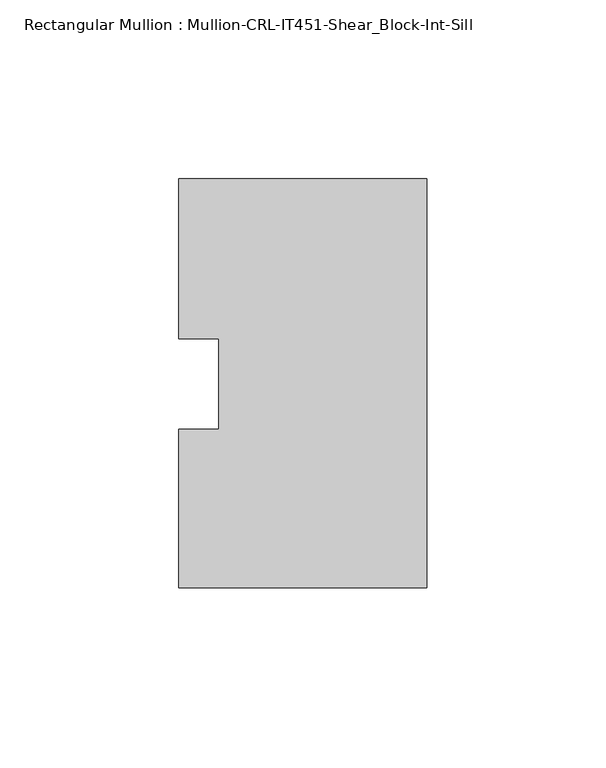
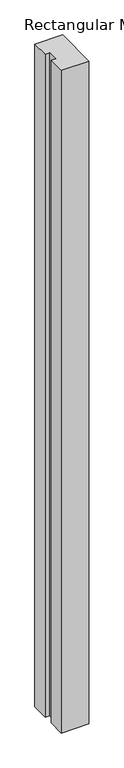
"""IFC4 building model written with IfcOpenShell, lengths in millimetres: member geometry, Rectangular Mullion : Mullion-CRL-IT451-Shear_Block-Int-Sill."""

import ifcopenshell
import ifcopenshell.guid

model = None  # the IFC model being written
_history = None  # IfcOwnerHistory: only IFC2X3 demands one
_inside = {}  # id of a spatial element -> (the spatial element, [elements in it])
_under = {}  # id of a project, library or spatial element -> (it, [spatial elements below it])
_declared = {}  # id of a project -> (the project, [libraries it declares])
_typed = {}  # id of a type object -> (the type object, [elements of that type])
_made_of = {}  # id of a material, layer set ... -> (it, [elements and type objects made of it])


def new_model(schema):
    """Start an empty IFC model of exactly this schema.

    Asked for "IFC4X3", IfcOpenShell would pick the latest addendum, in which some entities
    have other attributes; the version numbers below select the first issue.
    IFC2X3 requires an IfcOwnerHistory on every rooted entity: one is made here for all.
    """
    global model, _history
    if schema == "IFC4X3":
        model = ifcopenshell.file(schema_version=(4, 3, 0, 0))
    else:
        model = ifcopenshell.file(schema=schema)
    _inside.clear()
    _under.clear()
    _declared.clear()
    _typed.clear()
    _made_of.clear()
    _history = None
    if model.schema == "IFC2X3":
        org = make("IfcOrganization", Name="unknown")
        user = make(
            "IfcPersonAndOrganization",
            ThePerson=make("IfcPerson", FamilyName="unknown"),
            TheOrganization=org,
        )
        app = make(
            "IfcApplication",
            ApplicationDeveloper=org,
            Version="unknown",
            ApplicationFullName="unknown",
            ApplicationIdentifier="unknown",
        )
        _history = make(
            "IfcOwnerHistory",
            OwningUser=user,
            OwningApplication=app,
            ChangeAction="ADDED",
            CreationDate=0,
        )
    return model


def make(cls, **values):
    """One entity of the class cls with the attributes given. An attribute that is None is left unset."""
    return model.create_entity(
        cls, **{name: value for name, value in values.items() if value is not None}
    )


def rooted(cls, **values):
    """An entity with a GlobalId (a new one), such as an element, a storey or a relation."""
    return make(cls, GlobalId=ifcopenshell.guid.new(), OwnerHistory=_history, **values)


def si_unit(unit_type, name, prefix=None):
    """IfcSIUnit, for example si_unit("LENGTHUNIT", "METRE", prefix="MILLI")."""
    return make("IfcSIUnit", UnitType=unit_type, Prefix=prefix, Name=name)


def assignment(units):
    """IfcUnitAssignment: the units of a project."""
    return None if units is None else make("IfcUnitAssignment", Units=units)


def point(xyz):
    """IfcCartesianPoint."""
    return None if xyz is None else make("IfcCartesianPoint", Coordinates=xyz)


def direction(xyz):
    """IfcDirection."""
    return None if xyz is None else make("IfcDirection", DirectionRatios=xyz)


def frame(location, z_axis=None, x_axis=None):
    """IfcAxis2Placement3D, a coordinate frame: its origin and axes. An axis left out is left unset."""
    return make(
        "IfcAxis2Placement3D",
        Location=point(location),
        Axis=direction(z_axis),
        RefDirection=direction(x_axis),
    )


def origin():
    """The frame at (0, 0, 0) with its axes left unset."""
    return frame((0.0, 0.0, 0.0))


def place(relative_to, where):
    """IfcLocalPlacement: puts the frame where relative to a parent placement (None: the world)."""
    return make(
        "IfcLocalPlacement", PlacementRelTo=relative_to, RelativePlacement=where
    )


def context(
    kind, dimensions, precision=None, world=None, true_north=None, identifier=None
):
    """IfcGeometricRepresentationContext, for example the 3D "Model" context."""
    return make(
        "IfcGeometricRepresentationContext",
        ContextIdentifier=identifier,
        ContextType=kind,
        CoordinateSpaceDimension=dimensions,
        Precision=precision,
        WorldCoordinateSystem=world,
        TrueNorth=true_north,
    )


def project(units=None, contexts=None):
    """IfcProject with its units and contexts."""
    return rooted(
        "IfcProject",
        Name="project",
        RepresentationContexts=contexts,
        UnitsInContext=assignment(units),
    )


def spatial(cls, under=None, at=None, **own):
    """A site, building, storey or space (cls), placed at a placement, below another one or the project."""
    s = rooted(cls, ObjectPlacement=at, **own)
    if under is not None:
        _under.setdefault(under.id(), (under, []))[1].append(s)
    return s


def polyline(points):
    """IfcPolyline through the points."""
    return make("IfcPolyline", Points=[point(p) for p in points])


def outline(outer, holes=None, kind="AREA"):
    """IfcArbitraryClosedProfileDef: a profile drawn as a closed curve; with holes, ...WithVoids."""
    if holes is None:
        return make("IfcArbitraryClosedProfileDef", ProfileType=kind, OuterCurve=outer)
    return make(
        "IfcArbitraryProfileDefWithVoids",
        ProfileType=kind,
        OuterCurve=outer,
        InnerCurves=holes,
    )


def extrude(swept, where, along, depth):
    """IfcExtrudedAreaSolid: the profile swept, set in the frame where, extruded along a direction by depth."""
    return make(
        "IfcExtrudedAreaSolid",
        SweptArea=swept,
        Position=where,
        ExtrudedDirection=direction(along),
        Depth=depth,
    )


def shape(context_of_items, identifier, shape_type, items):
    """IfcShapeRepresentation: the items that make up one representation, for example the "Body"."""
    return make(
        "IfcShapeRepresentation",
        ContextOfItems=context_of_items,
        RepresentationIdentifier=identifier,
        RepresentationType=shape_type,
        Items=items,
    )


def source(mapping_origin, context_of_items, identifier, shape_type, items):
    """IfcRepresentationMap: a shape defined once, which mapped items show again and again."""
    return make(
        "IfcRepresentationMap",
        MappingOrigin=mapping_origin,
        MappedRepresentation=shape(context_of_items, identifier, shape_type, items),
    )


def transform(
    local_origin,
    x_axis=None,
    y_axis=None,
    z_axis=None,
    scale=None,
    scale2=None,
    scale3=None,
    uniform=True,
):
    """IfcCartesianTransformationOperator3D, or its non-uniform kind. x_axis, y_axis, z_axis: its Axis1, 2, 3."""
    if uniform:
        return make(
            "IfcCartesianTransformationOperator3D",
            Axis1=direction(x_axis),
            Axis2=direction(y_axis),
            LocalOrigin=point(local_origin),
            Scale=scale,
            Axis3=direction(z_axis),
        )
    return make(
        "IfcCartesianTransformationOperator3DnonUniform",
        Axis1=direction(x_axis),
        Axis2=direction(y_axis),
        LocalOrigin=point(local_origin),
        Scale=scale,
        Axis3=direction(z_axis),
        Scale2=scale2,
        Scale3=scale3,
    )


def mapped(mapping_source, mapping_target):
    """IfcMappedItem: shows the shape of a source again, moved by a transform."""
    return make(
        "IfcMappedItem", MappingSource=mapping_source, MappingTarget=mapping_target
    )


def made_of(thing, what):
    """Note that an element or type object is made of a material, layer set ...; save() writes the relation."""
    if what is not None:
        _made_of.setdefault(what.id(), (what, []))[1].append(thing)
    return thing


def element(
    cls,
    number,
    at=None,
    inside=None,
    cuts=None,
    type_object=None,
    material=None,
    context=None,
    identifier="Body",
    shape_type=None,
    held_by="IfcProductDefinitionShape",
    body=None,
    shapes=None,
    **own,
):
    """One element of the class cls, such as IfcWall. Its Tag is "e" and its number.

    at: its placement. inside: the storey or other place that contains it. cuts: it is an
    opening in that element (IfcRelVoidsElement). A single representation is given by context,
    identifier, shape_type and body (its items); several are given by shapes. held_by: the class
    of the entity that holds the representations. save() writes the other relations.
    """
    e = rooted(cls, Tag="e%d" % number, ObjectPlacement=at, **own)
    if body is not None:
        shapes = [shape(context, identifier, shape_type, body)]
    if shapes is not None:
        e.Representation = make(held_by, Representations=shapes)
    if inside is not None:
        _inside.setdefault(inside.id(), (inside, []))[1].append(e)
    if cuts is not None:
        rooted(
            "IfcRelVoidsElement", RelatingBuildingElement=cuts, RelatedOpeningElement=e
        )
    if type_object is not None:
        _typed.setdefault(type_object.id(), (type_object, []))[1].append(e)
    return made_of(e, material)


def aggregate(whole, parts):
    """IfcRelAggregates: a whole, such as a stair, and the parts it consists of."""
    return rooted("IfcRelAggregates", RelatingObject=whole, RelatedObjects=parts)


def save(model, path):
    """Write the relations noted so far, then the file.

    IfcRelAggregates (storeys below a building ...), IfcRelContainedInSpatialStructure (elements
    in a storey), IfcRelDefinesByType, IfcRelAssociatesMaterial and IfcRelDeclares: one each for
    every whole, place, type object, material and project.
    """
    for whole, parts in _under.values():
        aggregate(whole, parts)
    for where, things in _inside.values():
        rooted(
            "IfcRelContainedInSpatialStructure",
            RelatedElements=things,
            RelatingStructure=where,
        )
    for kind, things in _typed.values():
        rooted("IfcRelDefinesByType", RelatedObjects=things, RelatingType=kind)
    for what, things in _made_of.values():
        rooted("IfcRelAssociatesMaterial", RelatedObjects=things, RelatingMaterial=what)
    for by, libraries in _declared.values():
        rooted("IfcRelDeclares", RelatingContext=by, RelatedDefinitions=libraries)
    model.write(path)


def rectangular_mullion_mullion_crl_it451_shear_block_int_sill_0c63089d(model_context):
    return source(origin(), model_context, "Body", "SweptSolid", [
        extrude(outline(polyline([(0.0, -57.15), (-69.2658181, -57.15), (-69.2658181, -12.8430761), (-58.1533181, -12.8430761), (-58.1533181, 12.5476134), (-69.2658181, 12.5476134), (-69.2658181, 57.15), (0.0, 57.15), (0.0, -57.15)])), frame((0.0, 0.0, -1752.6), z_axis=(0.0, 0.0, 1.0), x_axis=(1.0, 0.0, 0.0)), (0.0, 0.0, 1.0), 1752.6),
    ])


if __name__ == "__main__":
    model = new_model("IFC4")
    model_context = context("Model", 3, world=origin())
    ifc_project = project(units=[si_unit("LENGTHUNIT", "METRE", prefix="MILLI")], contexts=[model_context])
    site = spatial("IfcSite", under=ifc_project)
    building = spatial("IfcBuilding", under=site)
    placement = place(None, origin())
    rectangular_mullion_mullion_crl_it451_shear_block_int_sill_shape = rectangular_mullion_mullion_crl_it451_shear_block_int_sill_0c63089d(model_context)
    element("IfcMember", 1, ObjectType="Rectangular Mullion : Mullion-CRL-IT451-Shear_Block-Int-Sill", at=placement, inside=building, context=model_context, shape_type="MappedRepresentation", body=[
        mapped(rectangular_mullion_mullion_crl_it451_shear_block_int_sill_shape, transform((0.0, 0.0, 0.0), x_axis=(1.0, 0.0, 0.0), y_axis=(0.0, 1.0, 0.0), z_axis=(0.0, 0.0, 1.0))),
    ])
    save(model, "model.ifc")
